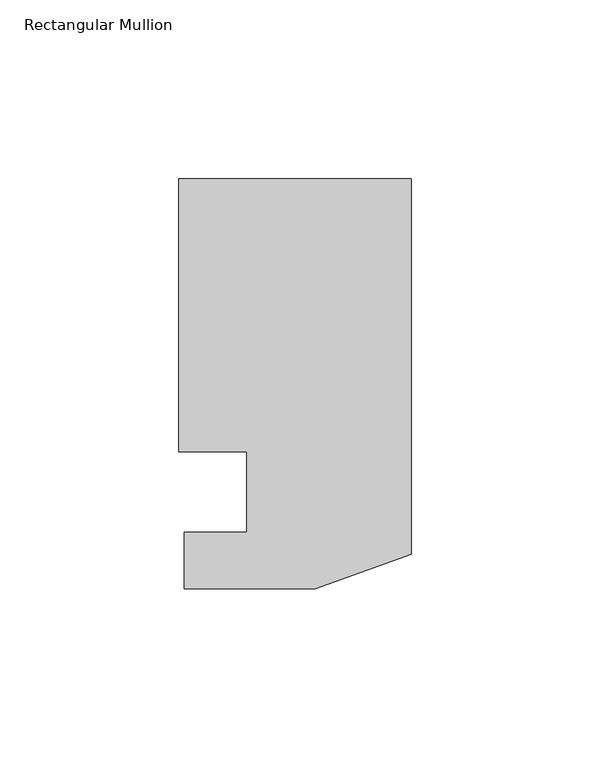
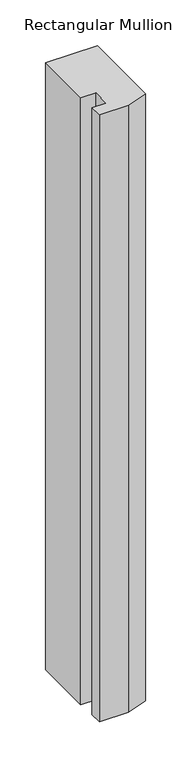
"""IFC4 building model written with IfcOpenShell, lengths in millimetres: member geometry, Rectangular Mullion."""

from ifc_helpers import new_model, si_unit, frame, origin, place, context, project, spatial, polyline, outline, extrude, source, transform, mapped, element, save


def rectangular_mullion_50af5c1e(model_context):
    return source(origin(), model_context, "Body", "SweptSolid", [
        extrude(outline(polyline([(-46.0375, 0.0992188), (-65.0748, 0.0992188), (-65.0748, 76.6294187), (0.0, 76.6294187), (0.0, -28.4757813), (-26.8478, -38.2293813), (-63.5, -38.2293813), (-63.5, -22.3797813), (-46.0375, -22.3797813), (-46.0375, 0.0992188)])), frame((0.0, 0.0, -808.036738), z_axis=(0.0, 0.0, 1.0), x_axis=(1.0, 0.0, 0.0)), (0.0, 0.0, 1.0), 808.036738),
    ])


if __name__ == "__main__":
    model = new_model("IFC4")
    model_context = context("Model", 3, world=origin())
    ifc_project = project(units=[si_unit("LENGTHUNIT", "METRE", prefix="MILLI")], contexts=[model_context])
    site = spatial("IfcSite", under=ifc_project)
    building = spatial("IfcBuilding", under=site)
    placement = place(None, origin())
    rectangular_mullion_shape = rectangular_mullion_50af5c1e(model_context)
    element("IfcMember", 1, ObjectType="Rectangular Mullion", at=placement, inside=building, context=model_context, shape_type="MappedRepresentation", body=[
        mapped(rectangular_mullion_shape, transform((0.0, 0.0, 0.0), x_axis=(1.0, 0.0, 0.0), y_axis=(0.0, 1.0, 0.0), z_axis=(0.0, 0.0, 1.0))),
    ])
    save(model, "model.ifc")
